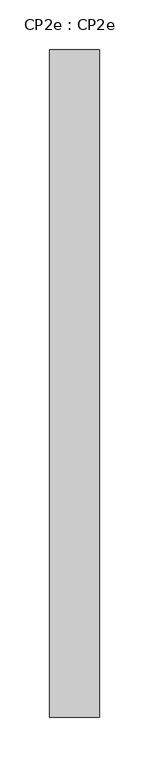
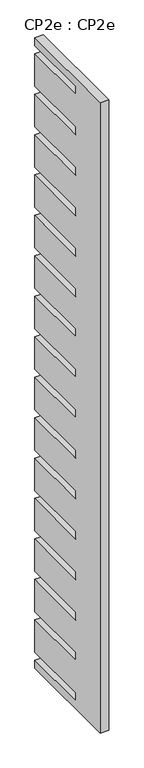
"""IFC4 building model written with IfcOpenShell, lengths in millimetres: proxy geometry, CP2e : CP2e."""

from ifc_helpers import new_model, si_unit, frame, origin, place, context, project, spatial, polyline, outline, extrude, source, transform, mapped, element, save


def cp2e_cp2e_68462309(model_context):
    return source(origin(), model_context, "Body", "SweptSolid", [
        extrude(outline(polyline([(670.0, 2000.0), (670.0, 1950.0), (250.0, 1950.0), (250.0, 1900.0), (670.0, 1900.0), (670.0, 1696.6666667), (250.0, 1696.6666667), (250.0, 1646.6666667), (670.0, 1646.6666667), (670.0, 1443.3333333), (250.0, 1443.3333333), (250.0, 1393.3333333), (670.0, 1393.3333333), (670.0, 1190.0), (250.0, 1190.0), (250.0, 1140.0), (670.0, 1140.0), (670.0, 936.6666667), (250.0, 936.6666667), (250.0, 886.6666667), (670.0, 886.6666667), (670.0, 683.3333333), (250.0, 683.3333333), (250.0, 633.3333333), (670.0, 633.3333333), (670.0, 430.0), (250.0, 430.0), (250.0, 380.0), (670.0, 380.0), (670.0, 176.6666667), (250.0, 176.6666667), (250.0, 126.6666667), (670.0, 126.6666667), (670.0, -76.6666667), (250.0, -76.6666667), (250.0, -126.6666667), (670.0, -126.6666667), (670.0, -330.0), (250.0, -330.0), (250.0, -380.0), (670.0, -380.0), (670.0, -583.3333333), (250.0, -583.3333333), (250.0, -633.3333333), (670.0, -633.3333333), (670.0, -836.6666667), (250.0, -836.6666667), (250.0, -886.6666667), (670.0, -886.6666667), (670.0, -1090.0), (250.0, -1090.0), (250.0, -1140.0), (670.0, -1140.0), (670.0, -1343.3333333), (250.0, -1343.3333333), (250.0, -1393.3333333), (670.0, -1393.3333333), (670.0, -1596.6666667), (250.0, -1596.6666667), (250.0, -1646.6666667), (670.0, -1646.6666667), (670.0, -1850.0), (250.0, -1850.0), (250.0, -1900.0), (670.0, -1900.0), (670.0, -1950.0), (0.0, -1950.0), (0.0, 2000.0), (670.0, 2000.0)])), frame((1534.0, 0.0, 0.0), z_axis=(1.0, 0.0, 0.0), x_axis=(0.0, 1.0, 0.0)), (0.0, 0.0, 1.0), 50.0),
    ])


if __name__ == "__main__":
    model = new_model("IFC4")
    model_context = context("Model", 3, world=origin())
    ifc_project = project(units=[si_unit("LENGTHUNIT", "METRE", prefix="MILLI")], contexts=[model_context])
    site = spatial("IfcSite", under=ifc_project)
    building = spatial("IfcBuilding", under=site)
    placement = place(None, origin())
    cp2e_cp2e_shape = cp2e_cp2e_68462309(model_context)
    element("IfcBuildingElementProxy", 1, Name="CP2e : CP2e", ObjectType="CP2e : CP2e", at=placement, inside=building, context=model_context, shape_type="MappedRepresentation", body=[
        mapped(cp2e_cp2e_shape, transform((0.0, 0.0, 0.0), x_axis=(1.0, 0.0, 0.0), y_axis=(0.0, 1.0, 0.0), z_axis=(0.0, 0.0, 1.0))),
    ])
    save(model, "model.ifc")
